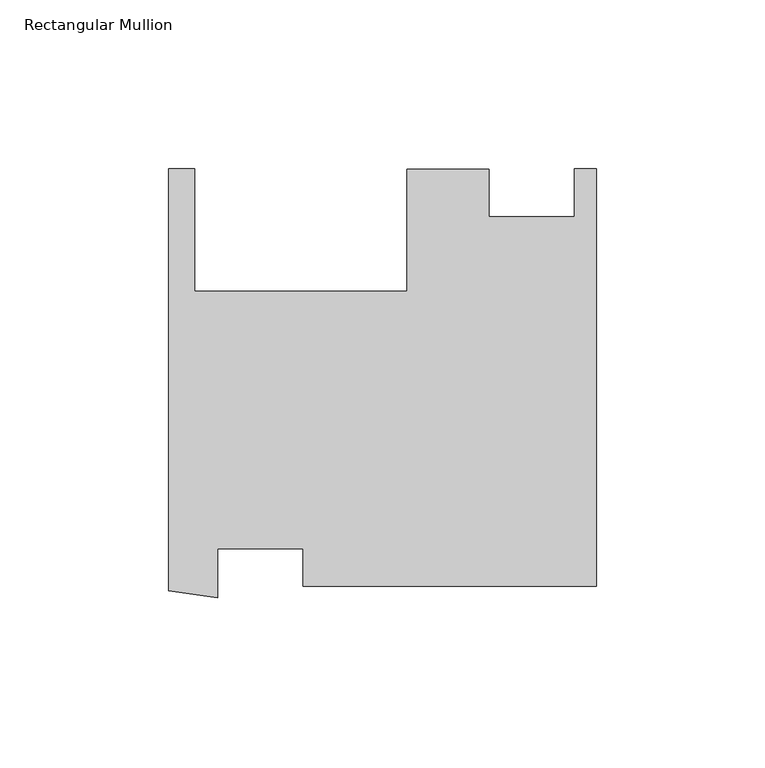
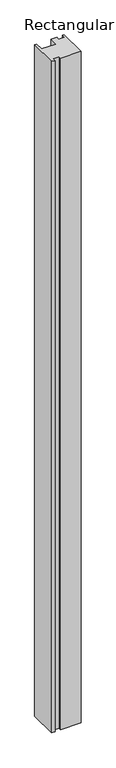
"""IFC4 building model written with IfcOpenShell, lengths in millimetres: member geometry, Rectangular Mullion."""

import ifcopenshell
import ifcopenshell.guid

model = None  # the IFC model being written
_history = None  # IfcOwnerHistory: only IFC2X3 demands one
_inside = {}  # id of a spatial element -> (the spatial element, [elements in it])
_under = {}  # id of a project, library or spatial element -> (it, [spatial elements below it])
_declared = {}  # id of a project -> (the project, [libraries it declares])
_typed = {}  # id of a type object -> (the type object, [elements of that type])
_made_of = {}  # id of a material, layer set ... -> (it, [elements and type objects made of it])


def new_model(schema):
    """Start an empty IFC model of exactly this schema.

    Asked for "IFC4X3", IfcOpenShell would pick the latest addendum, in which some entities
    have other attributes; the version numbers below select the first issue.
    IFC2X3 requires an IfcOwnerHistory on every rooted entity: one is made here for all.
    """
    global model, _history
    if schema == "IFC4X3":
        model = ifcopenshell.file(schema_version=(4, 3, 0, 0))
    else:
        model = ifcopenshell.file(schema=schema)
    _inside.clear()
    _under.clear()
    _declared.clear()
    _typed.clear()
    _made_of.clear()
    _history = None
    if model.schema == "IFC2X3":
        org = make("IfcOrganization", Name="unknown")
        user = make(
            "IfcPersonAndOrganization",
            ThePerson=make("IfcPerson", FamilyName="unknown"),
            TheOrganization=org,
        )
        app = make(
            "IfcApplication",
            ApplicationDeveloper=org,
            Version="unknown",
            ApplicationFullName="unknown",
            ApplicationIdentifier="unknown",
        )
        _history = make(
            "IfcOwnerHistory",
            OwningUser=user,
            OwningApplication=app,
            ChangeAction="ADDED",
            CreationDate=0,
        )
    return model


def make(cls, **values):
    """One entity of the class cls with the attributes given. An attribute that is None is left unset."""
    return model.create_entity(
        cls, **{name: value for name, value in values.items() if value is not None}
    )


def rooted(cls, **values):
    """An entity with a GlobalId (a new one), such as an element, a storey or a relation."""
    return make(cls, GlobalId=ifcopenshell.guid.new(), OwnerHistory=_history, **values)


def si_unit(unit_type, name, prefix=None):
    """IfcSIUnit, for example si_unit("LENGTHUNIT", "METRE", prefix="MILLI")."""
    return make("IfcSIUnit", UnitType=unit_type, Prefix=prefix, Name=name)


def assignment(units):
    """IfcUnitAssignment: the units of a project."""
    return None if units is None else make("IfcUnitAssignment", Units=units)


def point(xyz):
    """IfcCartesianPoint."""
    return None if xyz is None else make("IfcCartesianPoint", Coordinates=xyz)


def direction(xyz):
    """IfcDirection."""
    return None if xyz is None else make("IfcDirection", DirectionRatios=xyz)


def frame(location, z_axis=None, x_axis=None):
    """IfcAxis2Placement3D, a coordinate frame: its origin and axes. An axis left out is left unset."""
    return make(
        "IfcAxis2Placement3D",
        Location=point(location),
        Axis=direction(z_axis),
        RefDirection=direction(x_axis),
    )


def origin():
    """The frame at (0, 0, 0) with its axes left unset."""
    return frame((0.0, 0.0, 0.0))


def place(relative_to, where):
    """IfcLocalPlacement: puts the frame where relative to a parent placement (None: the world)."""
    return make(
        "IfcLocalPlacement", PlacementRelTo=relative_to, RelativePlacement=where
    )


def context(
    kind, dimensions, precision=None, world=None, true_north=None, identifier=None
):
    """IfcGeometricRepresentationContext, for example the 3D "Model" context."""
    return make(
        "IfcGeometricRepresentationContext",
        ContextIdentifier=identifier,
        ContextType=kind,
        CoordinateSpaceDimension=dimensions,
        Precision=precision,
        WorldCoordinateSystem=world,
        TrueNorth=true_north,
    )


def project(units=None, contexts=None):
    """IfcProject with its units and contexts."""
    return rooted(
        "IfcProject",
        Name="project",
        RepresentationContexts=contexts,
        UnitsInContext=assignment(units),
    )


def spatial(cls, under=None, at=None, **own):
    """A site, building, storey or space (cls), placed at a placement, below another one or the project."""
    s = rooted(cls, ObjectPlacement=at, **own)
    if under is not None:
        _under.setdefault(under.id(), (under, []))[1].append(s)
    return s


def polyline(points):
    """IfcPolyline through the points."""
    return make("IfcPolyline", Points=[point(p) for p in points])


def outline(outer, holes=None, kind="AREA"):
    """IfcArbitraryClosedProfileDef: a profile drawn as a closed curve; with holes, ...WithVoids."""
    if holes is None:
        return make("IfcArbitraryClosedProfileDef", ProfileType=kind, OuterCurve=outer)
    return make(
        "IfcArbitraryProfileDefWithVoids",
        ProfileType=kind,
        OuterCurve=outer,
        InnerCurves=holes,
    )


def extrude(swept, where, along, depth):
    """IfcExtrudedAreaSolid: the profile swept, set in the frame where, extruded along a direction by depth."""
    return make(
        "IfcExtrudedAreaSolid",
        SweptArea=swept,
        Position=where,
        ExtrudedDirection=direction(along),
        Depth=depth,
    )


def shape(context_of_items, identifier, shape_type, items):
    """IfcShapeRepresentation: the items that make up one representation, for example the "Body"."""
    return make(
        "IfcShapeRepresentation",
        ContextOfItems=context_of_items,
        RepresentationIdentifier=identifier,
        RepresentationType=shape_type,
        Items=items,
    )


def source(mapping_origin, context_of_items, identifier, shape_type, items):
    """IfcRepresentationMap: a shape defined once, which mapped items show again and again."""
    return make(
        "IfcRepresentationMap",
        MappingOrigin=mapping_origin,
        MappedRepresentation=shape(context_of_items, identifier, shape_type, items),
    )


def transform(
    local_origin,
    x_axis=None,
    y_axis=None,
    z_axis=None,
    scale=None,
    scale2=None,
    scale3=None,
    uniform=True,
):
    """IfcCartesianTransformationOperator3D, or its non-uniform kind. x_axis, y_axis, z_axis: its Axis1, 2, 3."""
    if uniform:
        return make(
            "IfcCartesianTransformationOperator3D",
            Axis1=direction(x_axis),
            Axis2=direction(y_axis),
            LocalOrigin=point(local_origin),
            Scale=scale,
            Axis3=direction(z_axis),
        )
    return make(
        "IfcCartesianTransformationOperator3DnonUniform",
        Axis1=direction(x_axis),
        Axis2=direction(y_axis),
        LocalOrigin=point(local_origin),
        Scale=scale,
        Axis3=direction(z_axis),
        Scale2=scale2,
        Scale3=scale3,
    )


def mapped(mapping_source, mapping_target):
    """IfcMappedItem: shows the shape of a source again, moved by a transform."""
    return make(
        "IfcMappedItem", MappingSource=mapping_source, MappingTarget=mapping_target
    )


def made_of(thing, what):
    """Note that an element or type object is made of a material, layer set ...; save() writes the relation."""
    if what is not None:
        _made_of.setdefault(what.id(), (what, []))[1].append(thing)
    return thing


def element(
    cls,
    number,
    at=None,
    inside=None,
    cuts=None,
    type_object=None,
    material=None,
    context=None,
    identifier="Body",
    shape_type=None,
    held_by="IfcProductDefinitionShape",
    body=None,
    shapes=None,
    **own,
):
    """One element of the class cls, such as IfcWall. Its Tag is "e" and its number.

    at: its placement. inside: the storey or other place that contains it. cuts: it is an
    opening in that element (IfcRelVoidsElement). A single representation is given by context,
    identifier, shape_type and body (its items); several are given by shapes. held_by: the class
    of the entity that holds the representations. save() writes the other relations.
    """
    e = rooted(cls, Tag="e%d" % number, ObjectPlacement=at, **own)
    if body is not None:
        shapes = [shape(context, identifier, shape_type, body)]
    if shapes is not None:
        e.Representation = make(held_by, Representations=shapes)
    if inside is not None:
        _inside.setdefault(inside.id(), (inside, []))[1].append(e)
    if cuts is not None:
        rooted(
            "IfcRelVoidsElement", RelatingBuildingElement=cuts, RelatedOpeningElement=e
        )
    if type_object is not None:
        _typed.setdefault(type_object.id(), (type_object, []))[1].append(e)
    return made_of(e, material)


def aggregate(whole, parts):
    """IfcRelAggregates: a whole, such as a stair, and the parts it consists of."""
    return rooted("IfcRelAggregates", RelatingObject=whole, RelatedObjects=parts)


def save(model, path):
    """Write the relations noted so far, then the file.

    IfcRelAggregates (storeys below a building ...), IfcRelContainedInSpatialStructure (elements
    in a storey), IfcRelDefinesByType, IfcRelAssociatesMaterial and IfcRelDeclares: one each for
    every whole, place, type object, material and project.
    """
    for whole, parts in _under.values():
        aggregate(whole, parts)
    for where, things in _inside.values():
        rooted(
            "IfcRelContainedInSpatialStructure",
            RelatedElements=things,
            RelatingStructure=where,
        )
    for kind, things in _typed.values():
        rooted("IfcRelDefinesByType", RelatedObjects=things, RelatingType=kind)
    for what, things in _made_of.values():
        rooted("IfcRelAssociatesMaterial", RelatedObjects=things, RelatingMaterial=what)
    for by, libraries in _declared.values():
        rooted("IfcRelDeclares", RelatingContext=by, RelatedDefinitions=libraries)
    model.write(path)


def rectangular_mullion_2a754609(model_context):
    return source(origin(), model_context, "Body", "SweptSolid", [
        extrude(outline(polyline([(-127.0000009, -58.7936438), (-127.0000009, 66.3717378), (-119.1873791, 66.3717378), (-119.1873791, 30.0497378), (-56.165687, 30.0497378), (-56.165687, 66.1177378), (-31.9786353, 66.1177378), (-31.9786353, 52.0842378), (-6.5786353, 52.0842378), (-6.5786353, 66.3717379), (0.0, 66.3717379), (0.0, -57.4532615), (-87.0892744, -57.4532615), (-87.0892744, -46.3534615), (-112.4736405, -46.3534615), (-112.4736405, -60.852498), (-127.0000009, -58.7936438)])), frame((0.0, 0.0, -3048.0), z_axis=(0.0, 0.0, 1.0), x_axis=(1.0, 0.0, 0.0)), (0.0, 0.0, 1.0), 3048.0),
    ])


if __name__ == "__main__":
    model = new_model("IFC4")
    model_context = context("Model", 3, world=origin())
    ifc_project = project(units=[si_unit("LENGTHUNIT", "METRE", prefix="MILLI")], contexts=[model_context])
    site = spatial("IfcSite", under=ifc_project)
    building = spatial("IfcBuilding", under=site)
    placement = place(None, origin())
    rectangular_mullion_shape = rectangular_mullion_2a754609(model_context)
    element("IfcMember", 1, ObjectType="Rectangular Mullion", at=placement, inside=building, context=model_context, shape_type="MappedRepresentation", body=[
        mapped(rectangular_mullion_shape, transform((0.0, 0.0, 0.0), x_axis=(1.0, 0.0, 0.0), y_axis=(0.0, 1.0, 0.0), z_axis=(0.0, 0.0, 1.0))),
    ])
    save(model, "model.ifc")
